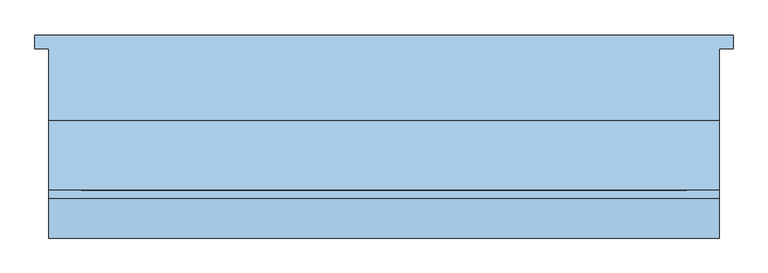
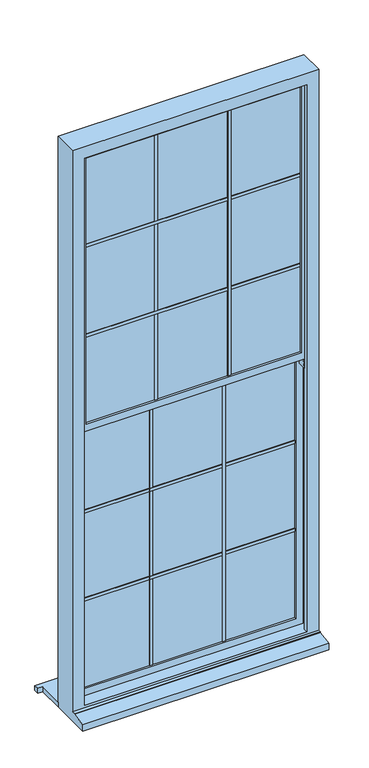
"""IFC4 building model written with IfcOpenShell, lengths in millimetres: window geometry."""

import ifcopenshell
import ifcopenshell.guid

model = None  # the IFC model being written
_history = None  # IfcOwnerHistory: only IFC2X3 demands one
_inside = {}  # id of a spatial element -> (the spatial element, [elements in it])
_under = {}  # id of a project, library or spatial element -> (it, [spatial elements below it])
_declared = {}  # id of a project -> (the project, [libraries it declares])
_typed = {}  # id of a type object -> (the type object, [elements of that type])
_made_of = {}  # id of a material, layer set ... -> (it, [elements and type objects made of it])


def new_model(schema):
    """Start an empty IFC model of exactly this schema.

    Asked for "IFC4X3", IfcOpenShell would pick the latest addendum, in which some entities
    have other attributes; the version numbers below select the first issue.
    IFC2X3 requires an IfcOwnerHistory on every rooted entity: one is made here for all.
    """
    global model, _history
    if schema == "IFC4X3":
        model = ifcopenshell.file(schema_version=(4, 3, 0, 0))
    else:
        model = ifcopenshell.file(schema=schema)
    _inside.clear()
    _under.clear()
    _declared.clear()
    _typed.clear()
    _made_of.clear()
    _history = None
    if model.schema == "IFC2X3":
        org = make("IfcOrganization", Name="unknown")
        user = make(
            "IfcPersonAndOrganization",
            ThePerson=make("IfcPerson", FamilyName="unknown"),
            TheOrganization=org,
        )
        app = make(
            "IfcApplication",
            ApplicationDeveloper=org,
            Version="unknown",
            ApplicationFullName="unknown",
            ApplicationIdentifier="unknown",
        )
        _history = make(
            "IfcOwnerHistory",
            OwningUser=user,
            OwningApplication=app,
            ChangeAction="ADDED",
            CreationDate=0,
        )
    return model


def make(cls, **values):
    """One entity of the class cls with the attributes given. An attribute that is None is left unset."""
    return model.create_entity(
        cls, **{name: value for name, value in values.items() if value is not None}
    )


def rooted(cls, **values):
    """An entity with a GlobalId (a new one), such as an element, a storey or a relation."""
    return make(cls, GlobalId=ifcopenshell.guid.new(), OwnerHistory=_history, **values)


def si_unit(unit_type, name, prefix=None):
    """IfcSIUnit, for example si_unit("LENGTHUNIT", "METRE", prefix="MILLI")."""
    return make("IfcSIUnit", UnitType=unit_type, Prefix=prefix, Name=name)


def assignment(units):
    """IfcUnitAssignment: the units of a project."""
    return None if units is None else make("IfcUnitAssignment", Units=units)


def point(xyz):
    """IfcCartesianPoint."""
    return None if xyz is None else make("IfcCartesianPoint", Coordinates=xyz)


def direction(xyz):
    """IfcDirection."""
    return None if xyz is None else make("IfcDirection", DirectionRatios=xyz)


def frame(location, z_axis=None, x_axis=None):
    """IfcAxis2Placement3D, a coordinate frame: its origin and axes. An axis left out is left unset."""
    return make(
        "IfcAxis2Placement3D",
        Location=point(location),
        Axis=direction(z_axis),
        RefDirection=direction(x_axis),
    )


def origin():
    """The frame at (0, 0, 0) with its axes left unset."""
    return frame((0.0, 0.0, 0.0))


def place(relative_to, where):
    """IfcLocalPlacement: puts the frame where relative to a parent placement (None: the world)."""
    return make(
        "IfcLocalPlacement", PlacementRelTo=relative_to, RelativePlacement=where
    )


def context(
    kind, dimensions, precision=None, world=None, true_north=None, identifier=None
):
    """IfcGeometricRepresentationContext, for example the 3D "Model" context."""
    return make(
        "IfcGeometricRepresentationContext",
        ContextIdentifier=identifier,
        ContextType=kind,
        CoordinateSpaceDimension=dimensions,
        Precision=precision,
        WorldCoordinateSystem=world,
        TrueNorth=true_north,
    )


def project(units=None, contexts=None):
    """IfcProject with its units and contexts."""
    return rooted(
        "IfcProject",
        Name="project",
        RepresentationContexts=contexts,
        UnitsInContext=assignment(units),
    )


def spatial(cls, under=None, at=None, **own):
    """A site, building, storey or space (cls), placed at a placement, below another one or the project."""
    s = rooted(cls, ObjectPlacement=at, **own)
    if under is not None:
        _under.setdefault(under.id(), (under, []))[1].append(s)
    return s


def polyline(points):
    """IfcPolyline through the points."""
    return make("IfcPolyline", Points=[point(p) for p in points])


def outline(outer, holes=None, kind="AREA"):
    """IfcArbitraryClosedProfileDef: a profile drawn as a closed curve; with holes, ...WithVoids."""
    if holes is None:
        return make("IfcArbitraryClosedProfileDef", ProfileType=kind, OuterCurve=outer)
    return make(
        "IfcArbitraryProfileDefWithVoids",
        ProfileType=kind,
        OuterCurve=outer,
        InnerCurves=holes,
    )


def extrude(swept, where, along, depth):
    """IfcExtrudedAreaSolid: the profile swept, set in the frame where, extruded along a direction by depth."""
    return make(
        "IfcExtrudedAreaSolid",
        SweptArea=swept,
        Position=where,
        ExtrudedDirection=direction(along),
        Depth=depth,
    )


def faces_of(points, faces, orient=None, outer=None):
    """IfcFace entities. A face is a list of loops; a loop is a list of indices into points, from 0.

    orient and outer hold one flag for each loop. By default every Orientation is true, the
    first loop of a face is its IfcFaceOuterBound and the others are IfcFaceBound.
    """
    made = []
    for i, loops in enumerate(faces):
        bounds = []
        for j, loop in enumerate(loops):
            is_outer = j == 0 if outer is None else outer[i][j]
            bounds.append(
                make(
                    "IfcFaceOuterBound" if is_outer else "IfcFaceBound",
                    Bound=make("IfcPolyLoop", Polygon=[points[k] for k in loop]),
                    Orientation=True if orient is None else orient[i][j],
                )
            )
        made.append(make("IfcFace", Bounds=bounds))
    return made


def faceted_brep(points, faces, orient=None, outer=None, voids=None):
    """IfcFacetedBrep: a solid bounded by flat faces; with voids (closed shells), ...WithVoids."""
    shared = [point(p) for p in points]
    hull = make("IfcClosedShell", CfsFaces=faces_of(shared, faces, orient, outer))
    if voids is None:
        return make("IfcFacetedBrep", Outer=hull)
    return make(
        "IfcFacetedBrepWithVoids",
        Outer=hull,
        Voids=[
            make(cls, CfsFaces=faces_of(shared, fs, o, b)) for cls, fs, o, b in voids
        ],
    )


def shape(context_of_items, identifier, shape_type, items):
    """IfcShapeRepresentation: the items that make up one representation, for example the "Body"."""
    return make(
        "IfcShapeRepresentation",
        ContextOfItems=context_of_items,
        RepresentationIdentifier=identifier,
        RepresentationType=shape_type,
        Items=items,
    )


def source(mapping_origin, context_of_items, identifier, shape_type, items):
    """IfcRepresentationMap: a shape defined once, which mapped items show again and again."""
    return make(
        "IfcRepresentationMap",
        MappingOrigin=mapping_origin,
        MappedRepresentation=shape(context_of_items, identifier, shape_type, items),
    )


def transform(
    local_origin,
    x_axis=None,
    y_axis=None,
    z_axis=None,
    scale=None,
    scale2=None,
    scale3=None,
    uniform=True,
):
    """IfcCartesianTransformationOperator3D, or its non-uniform kind. x_axis, y_axis, z_axis: its Axis1, 2, 3."""
    if uniform:
        return make(
            "IfcCartesianTransformationOperator3D",
            Axis1=direction(x_axis),
            Axis2=direction(y_axis),
            LocalOrigin=point(local_origin),
            Scale=scale,
            Axis3=direction(z_axis),
        )
    return make(
        "IfcCartesianTransformationOperator3DnonUniform",
        Axis1=direction(x_axis),
        Axis2=direction(y_axis),
        LocalOrigin=point(local_origin),
        Scale=scale,
        Axis3=direction(z_axis),
        Scale2=scale2,
        Scale3=scale3,
    )


def mapped(mapping_source, mapping_target):
    """IfcMappedItem: shows the shape of a source again, moved by a transform."""
    return make(
        "IfcMappedItem", MappingSource=mapping_source, MappingTarget=mapping_target
    )


def made_of(thing, what):
    """Note that an element or type object is made of a material, layer set ...; save() writes the relation."""
    if what is not None:
        _made_of.setdefault(what.id(), (what, []))[1].append(thing)
    return thing


def element(
    cls,
    number,
    at=None,
    inside=None,
    cuts=None,
    type_object=None,
    material=None,
    context=None,
    identifier="Body",
    shape_type=None,
    held_by="IfcProductDefinitionShape",
    body=None,
    shapes=None,
    **own,
):
    """One element of the class cls, such as IfcWall. Its Tag is "e" and its number.

    at: its placement. inside: the storey or other place that contains it. cuts: it is an
    opening in that element (IfcRelVoidsElement). A single representation is given by context,
    identifier, shape_type and body (its items); several are given by shapes. held_by: the class
    of the entity that holds the representations. save() writes the other relations.
    """
    e = rooted(cls, Tag="e%d" % number, ObjectPlacement=at, **own)
    if body is not None:
        shapes = [shape(context, identifier, shape_type, body)]
    if shapes is not None:
        e.Representation = make(held_by, Representations=shapes)
    if inside is not None:
        _inside.setdefault(inside.id(), (inside, []))[1].append(e)
    if cuts is not None:
        rooted(
            "IfcRelVoidsElement", RelatingBuildingElement=cuts, RelatedOpeningElement=e
        )
    if type_object is not None:
        _typed.setdefault(type_object.id(), (type_object, []))[1].append(e)
    return made_of(e, material)


def aggregate(whole, parts):
    """IfcRelAggregates: a whole, such as a stair, and the parts it consists of."""
    return rooted("IfcRelAggregates", RelatingObject=whole, RelatedObjects=parts)


def save(model, path):
    """Write the relations noted so far, then the file.

    IfcRelAggregates (storeys below a building ...), IfcRelContainedInSpatialStructure (elements
    in a storey), IfcRelDefinesByType, IfcRelAssociatesMaterial and IfcRelDeclares: one each for
    every whole, place, type object, material and project.
    """
    for whole, parts in _under.values():
        aggregate(whole, parts)
    for where, things in _inside.values():
        rooted(
            "IfcRelContainedInSpatialStructure",
            RelatedElements=things,
            RelatingStructure=where,
        )
    for kind, things in _typed.values():
        rooted("IfcRelDefinesByType", RelatedObjects=things, RelatingType=kind)
    for what, things in _made_of.values():
        rooted("IfcRelAssociatesMaterial", RelatedObjects=things, RelatingMaterial=what)
    for by, libraries in _declared.values():
        rooted("IfcRelDeclares", RelatingContext=by, RelatedDefinitions=libraries)
    model.write(path)


def window_a60dd742(model_context):
    return source(origin(), model_context, "Body", "SolidModel", [
        extrude(outline(polyline([(-95.6666667, -20.9565678), (-95.6666667, -50.9565678), (-110.6666667, -50.9565678), (-110.6666667, -20.9565678), (-95.6666667, -20.9565678)])), frame((0.0, 0.0, -789.9289322), z_axis=(0.0, 0.0, 1.0), x_axis=(1.0, 0.0, 0.0)), (0.0, 0.0, 1.0), 1388.0),
        extrude(outline(polyline([(260.5, -20.9565678), (260.5, -50.9565678), (-830.5, -50.9565678), (-830.5, -20.9565678), (260.5, -20.9565678)])), frame((0.0, 0.0, 127.9044011), z_axis=(0.0, 0.0, 1.0), x_axis=(1.0, 0.0, 0.0)), (0.0, 0.0, 1.0), 15.0),
        extrude(outline(polyline([(260.5, -20.9565678), (260.5, -50.9565678), (-830.5, -50.9565678), (-830.5, -20.9565678), (260.5, -20.9565678)])), frame((0.0, 0.0, -334.7622655), z_axis=(0.0, 0.0, 1.0), x_axis=(1.0, 0.0, 0.0)), (0.0, 0.0, 1.0), 15.0),
        extrude(outline(polyline([(-459.3333333, -20.9565678), (-459.3333333, -50.9565678), (-474.3333333, -50.9565678), (-474.3333333, -20.9565678), (-459.3333333, -20.9565678)])), frame((0.0, 0.0, -789.9289322), z_axis=(0.0, 0.0, 1.0), x_axis=(1.0, 0.0, 0.0)), (0.0, 0.0, 1.0), 1388.0),
        extrude(outline(polyline([(-95.6666667, -65.9565678), (-95.6666667, -95.9565678), (-110.6666667, -95.9565678), (-110.6666667, -65.9565678), (-95.6666667, -65.9565678)])), frame((0.0, 0.0, 620.0), z_axis=(0.0, 0.0, 1.0), x_axis=(1.0, 0.0, 0.0)), (0.0, 0.0, 1.0), 1419.0),
        extrude(outline(polyline([(260.5, -65.9565678), (260.5, -95.9565678), (-830.5, -95.9565678), (-830.5, -65.9565678), (260.5, -65.9565678)])), frame((0.0, 0.0, 1558.5), z_axis=(0.0, 0.0, 1.0), x_axis=(1.0, 0.0, 0.0)), (0.0, 0.0, 1.0), 15.0),
        extrude(outline(polyline([(260.5, -65.9565678), (260.5, -95.9565678), (-830.5, -95.9565678), (-830.5, -65.9565678), (260.5, -65.9565678)])), frame((0.0, 0.0, 1085.5), z_axis=(0.0, 0.0, 1.0), x_axis=(1.0, 0.0, 0.0)), (0.0, 0.0, 1.0), 15.0),
        extrude(outline(polyline([(-459.3333333, -65.9565678), (-459.3333333, -95.9565678), (-474.3333333, -95.9565678), (-474.3333333, -65.9565678), (-459.3333333, -65.9565678)])), frame((0.0, 0.0, 620.0), z_axis=(0.0, 0.0, 1.0), x_axis=(1.0, 0.0, 0.0)), (0.0, 0.0, 1.0), 1419.0),
        extrude(outline(polyline([(-922.5, 161.5434322), (352.5, 161.5434322), (352.5, 136.5434322), (327.5, 136.5434322), (327.5, 4.5434322), (-897.5, 4.5434322), (-897.5, 136.5434322), (-922.5, 136.5434322), (-922.5, 161.5434322)])), frame((0.0, 0.0, -890.0), z_axis=(0.0, 0.0, 1.0), x_axis=(1.0, 0.0, 0.0)), (0.0, 0.0, 1.0), 25.0),
        faceted_brep([(-857.5, -58.4565678, 2070.0), (-857.5, -58.4565678, 547.5), (-857.5, -103.4565678, 547.5), (-857.5, -103.4565678, 2070.0), (-820.4289322, -68.9565678, 2032.9289322), (-820.4289322, -68.9565678, 634.5710678), (-820.4289322, -58.4565678, 634.5710678), (-820.4289322, -58.4565678, 2032.9289322), (-830.4289322, -92.9565678, 2042.9289322), (-830.4289322, -92.9565678, 624.5710678), (-830.4289322, -68.9565678, 624.5710678), (-830.4289322, -68.9565678, 2042.9289322), (-820.4289322, -103.4565678, 2032.9289322), (-820.4289322, -103.4565678, 634.5710678), (-820.4289322, -92.9565678, 634.5710678), (-820.4289322, -92.9565678, 2032.9289322), (260.4289322, -103.4565678, 597.5), (-830.4289322, -103.4565678, 597.5), (-830.4289322, -58.4565678, 597.5), (260.4289322, -58.4565678, 597.5), (250.4289322, -68.9565678, 634.5710678), (250.4289322, -58.4565678, 634.5710678), (260.4289322, -92.9565678, 624.5710678), (260.4289322, -68.9565678, 624.5710678), (250.4289322, -103.4565678, 634.5710678), (250.4289322, -92.9565678, 634.5710678), (287.5, -103.4565678, 2070.0), (287.5, -103.4565678, 547.5), (287.5, -58.4565678, 547.5), (287.5, -58.4565678, 2070.0), (250.4289322, -68.9565678, 2032.9289322), (250.4289322, -58.4565678, 2032.9289322), (260.4289322, -92.9565678, 2042.9289322), (260.4289322, -68.9565678, 2042.9289322), (250.4289322, -103.4565678, 2032.9289322), (250.4289322, -92.9565678, 2032.9289322), (267.4289322, -58.4565678, 547.5), (-837.4289322, -58.4565678, 547.5), (-837.4289322, -103.4565678, 547.5), (267.4289322, -103.4565678, 547.5)], [[[0, 1, 2, 3]], [[4, 5, 6, 7]], [[8, 9, 10, 11]], [[12, 13, 14, 15]], [[16, 17, 18, 19]], [[5, 20, 21, 6]], [[9, 22, 23, 10]], [[13, 24, 25, 14]], [[26, 27, 28, 29]], [[20, 30, 31, 21]], [[22, 32, 33, 23]], [[24, 34, 35, 25]], [[3, 26, 29, 0]], [[0, 29, 28, 36, 19, 18, 37, 1], [6, 21, 31, 7]], [[7, 31, 30, 4]], [[10, 23, 33, 11], [4, 30, 20, 5]], [[11, 33, 32, 8]], [[8, 32, 22, 9], [14, 25, 35, 15]], [[15, 35, 34, 12]], [[2, 38, 17, 16, 39, 27, 26, 3], [12, 34, 24, 13]], [[28, 27, 39, 36]], [[39, 16, 19, 36]], [[37, 38, 2, 1]], [[37, 18, 17, 38]]]),
        extrude(outline(polyline([(260.4289322, -68.9565678), (260.4289322, -92.9565678), (-830.4289322, -92.9565678), (-830.4289322, -68.9565678), (260.4289322, -68.9565678)])), frame((0.0, 0.0, 624.5710678), z_axis=(0.0, 0.0, 1.0), x_axis=(1.0, 0.0, 0.0)), (0.0, 0.0, 1.0), 1418.3578644),
        extrude(outline(polyline([(260.4289322, -23.9565678), (260.4289322, -47.9565678), (-830.4289322, -47.9565678), (-830.4289322, -23.9565678), (260.4289322, -23.9565678)])), frame((0.0, 0.0, -799.9289322), z_axis=(0.0, 0.0, 1.0), x_axis=(1.0, 0.0, 0.0)), (0.0, 0.0, 1.0), 1407.8578644),
        faceted_brep([(-897.5, 4.5434322, -890.0), (-897.5, 4.5434322, 2110.0), (327.5, 4.5434322, 2110.0), (327.5, 4.5434322, -890.0), (-837.5, 4.5434322, 2050.0), (-837.5, 4.5434322, -815.0), (267.5, 4.5434322, -815.0), (267.5, 4.5434322, 2050.0), (-897.5, -208.9565678, -890.0), (-897.5, -208.9565678, -856.1911153), (-897.5, -136.4565678, -843.4449221), (-897.5, -136.4565678, -839.7290722), (-897.5, -121.4565678, -839.0), (-897.5, -121.4565678, 2110.0), (327.5, -121.4565678, -839.0), (327.5, -121.4565678, 2110.0), (-837.5, -121.4565678, 2050.0), (267.5, -121.4565678, 2050.0), (267.5, -121.4565678, -827.0), (-837.5, -121.4565678, -827.0), (-837.5, -103.4565678, -827.0), (-837.5, -103.4565678, 2050.0), (-857.5, -103.4565678, -827.0), (-857.5, -103.4565678, 2070.0), (287.5, -103.4565678, 2070.0), (287.5, -103.4565678, -827.0), (267.5, -103.4565678, -827.0), (267.5, -103.4565678, 2050.0), (-857.5, -13.4565678, -827.0), (-857.5, -13.4565678, 2070.0), (287.5, -13.4565678, -827.0), (287.5, -13.4565678, 2070.0), (-837.5, -13.4565678, 2050.0), (267.5, -13.4565678, 2050.0), (267.5, -13.4565678, -815.0), (-837.5, -13.4565678, -815.0), (327.5, -136.4565678, -839.7290722), (327.5, -136.4565678, -843.4449221), (327.5, -208.9565678, -856.1911153), (327.5, -208.9565678, -890.0)], [[[0, 1, 2, 3], [4, 5, 6, 7]], [[0, 8, 9, 10, 11, 12, 13, 1]], [[12, 14, 15, 13], [16, 17, 18, 19]], [[19, 20, 21, 16]], [[20, 22, 23, 24, 25, 26, 27, 21]], [[22, 28, 29, 23]], [[29, 28, 30, 31], [32, 33, 34, 35]], [[32, 35, 5, 4]], [[1, 13, 15, 2]], [[16, 21, 27, 17]], [[23, 29, 31, 24]], [[7, 33, 32, 4]], [[14, 36, 37, 38, 39, 3, 2, 15]], [[17, 27, 26, 18]], [[24, 31, 30, 25]], [[7, 6, 34, 33]], [[39, 8, 0, 3]], [[38, 9, 8, 39]], [[37, 10, 9, 38]], [[36, 11, 10, 37]], [[14, 12, 11, 36]], [[28, 22, 20, 19, 18, 26, 25, 30]], [[5, 35, 34, 6]]]),
        faceted_brep([(-857.5, -13.4565678, 635.0), (-857.5, -13.4565678, -827.0), (-857.5, -58.4565678, -827.0), (-857.5, -58.4565678, 635.0), (-820.4289322, -23.9565678, 597.9289322), (-820.4289322, -23.9565678, -789.9289322), (-820.4289322, -13.4565678, -789.9289322), (-820.4289322, -13.4565678, 597.9289322), (-830.4289322, -47.9565678, 607.9289322), (-830.4289322, -47.9565678, -799.9289322), (-830.4289322, -23.9565678, -799.9289322), (-830.4289322, -23.9565678, 607.9289322), (-820.4289322, -58.4565678, 597.9289322), (-820.4289322, -58.4565678, -789.9289322), (-820.4289322, -47.9565678, -789.9289322), (-820.4289322, -47.9565678, 597.9289322), (287.5, -13.4565678, -827.0), (287.5, -58.4565678, -827.0), (250.4289322, -23.9565678, -789.9289322), (250.4289322, -13.4565678, -789.9289322), (260.4289322, -47.9565678, -799.9289322), (260.4289322, -23.9565678, -799.9289322), (250.4289322, -58.4565678, -789.9289322), (250.4289322, -47.9565678, -789.9289322), (287.5, -13.4565678, 635.0), (287.5, -58.4565678, 635.0), (250.4289322, -23.9565678, 597.9289322), (250.4289322, -13.4565678, 597.9289322), (260.4289322, -47.9565678, 607.9289322), (260.4289322, -23.9565678, 607.9289322), (250.4289322, -58.4565678, 597.9289322), (250.4289322, -47.9565678, 597.9289322)], [[[0, 1, 2, 3]], [[4, 5, 6, 7]], [[8, 9, 10, 11]], [[12, 13, 14, 15]], [[1, 16, 17, 2]], [[5, 18, 19, 6]], [[9, 20, 21, 10]], [[13, 22, 23, 14]], [[16, 24, 25, 17]], [[18, 26, 27, 19]], [[20, 28, 29, 21]], [[22, 30, 31, 23]], [[24, 0, 3, 25]], [[1, 0, 24, 16], [7, 6, 19, 27]], [[26, 4, 7, 27]], [[11, 10, 21, 29], [5, 4, 26, 18]], [[28, 8, 11, 29]], [[9, 8, 28, 20], [15, 14, 23, 31]], [[30, 12, 15, 31]], [[3, 2, 17, 25], [13, 12, 30, 22]]]),
    ])


if __name__ == "__main__":
    model = new_model("IFC4")
    model_context = context("Model", 3, world=origin())
    ifc_project = project(units=[si_unit("LENGTHUNIT", "METRE", prefix="MILLI")], contexts=[model_context])
    site = spatial("IfcSite", under=ifc_project)
    building = spatial("IfcBuilding", under=site)
    placement = place(None, origin())
    window_shape = window_a60dd742(model_context)
    element("IfcWindow", 1, at=placement, inside=building, context=model_context, shape_type="MappedRepresentation", body=[
        mapped(window_shape, transform((0.0, 0.0, 0.0), x_axis=(1.0, 0.0, 0.0), y_axis=(0.0, 1.0, 0.0), z_axis=(0.0, 0.0, 1.0))),
    ])
    save(model, "model.ifc")
